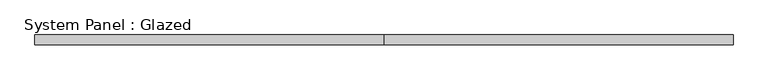
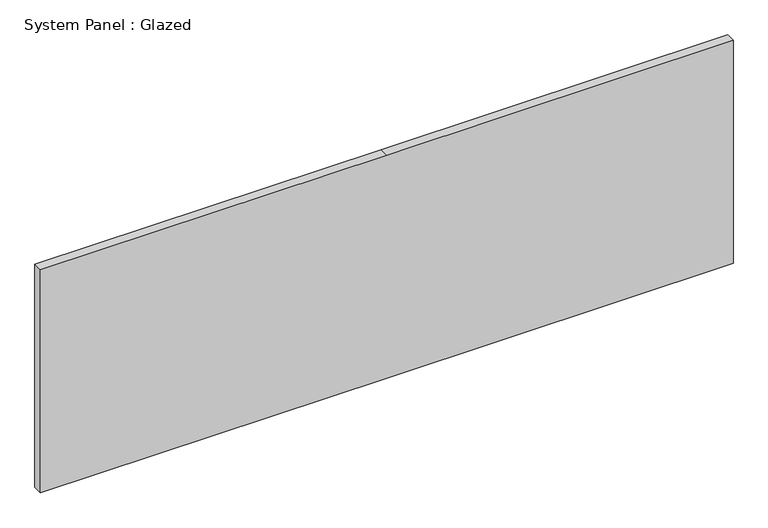
"""IFC4 building model written with IfcOpenShell, lengths in millimetres: plate geometry, System Panel : Glazed."""

import ifcopenshell
import ifcopenshell.guid

model = None  # the IFC model being written
_history = None  # IfcOwnerHistory: only IFC2X3 demands one
_inside = {}  # id of a spatial element -> (the spatial element, [elements in it])
_under = {}  # id of a project, library or spatial element -> (it, [spatial elements below it])
_declared = {}  # id of a project -> (the project, [libraries it declares])
_typed = {}  # id of a type object -> (the type object, [elements of that type])
_made_of = {}  # id of a material, layer set ... -> (it, [elements and type objects made of it])


def new_model(schema):
    """Start an empty IFC model of exactly this schema.

    Asked for "IFC4X3", IfcOpenShell would pick the latest addendum, in which some entities
    have other attributes; the version numbers below select the first issue.
    IFC2X3 requires an IfcOwnerHistory on every rooted entity: one is made here for all.
    """
    global model, _history
    if schema == "IFC4X3":
        model = ifcopenshell.file(schema_version=(4, 3, 0, 0))
    else:
        model = ifcopenshell.file(schema=schema)
    _inside.clear()
    _under.clear()
    _declared.clear()
    _typed.clear()
    _made_of.clear()
    _history = None
    if model.schema == "IFC2X3":
        org = make("IfcOrganization", Name="unknown")
        user = make(
            "IfcPersonAndOrganization",
            ThePerson=make("IfcPerson", FamilyName="unknown"),
            TheOrganization=org,
        )
        app = make(
            "IfcApplication",
            ApplicationDeveloper=org,
            Version="unknown",
            ApplicationFullName="unknown",
            ApplicationIdentifier="unknown",
        )
        _history = make(
            "IfcOwnerHistory",
            OwningUser=user,
            OwningApplication=app,
            ChangeAction="ADDED",
            CreationDate=0,
        )
    return model


def make(cls, **values):
    """One entity of the class cls with the attributes given. An attribute that is None is left unset."""
    return model.create_entity(
        cls, **{name: value for name, value in values.items() if value is not None}
    )


def rooted(cls, **values):
    """An entity with a GlobalId (a new one), such as an element, a storey or a relation."""
    return make(cls, GlobalId=ifcopenshell.guid.new(), OwnerHistory=_history, **values)


def si_unit(unit_type, name, prefix=None):
    """IfcSIUnit, for example si_unit("LENGTHUNIT", "METRE", prefix="MILLI")."""
    return make("IfcSIUnit", UnitType=unit_type, Prefix=prefix, Name=name)


def assignment(units):
    """IfcUnitAssignment: the units of a project."""
    return None if units is None else make("IfcUnitAssignment", Units=units)


def point(xyz):
    """IfcCartesianPoint."""
    return None if xyz is None else make("IfcCartesianPoint", Coordinates=xyz)


def direction(xyz):
    """IfcDirection."""
    return None if xyz is None else make("IfcDirection", DirectionRatios=xyz)


def frame(location, z_axis=None, x_axis=None):
    """IfcAxis2Placement3D, a coordinate frame: its origin and axes. An axis left out is left unset."""
    return make(
        "IfcAxis2Placement3D",
        Location=point(location),
        Axis=direction(z_axis),
        RefDirection=direction(x_axis),
    )


def origin():
    """The frame at (0, 0, 0) with its axes left unset."""
    return frame((0.0, 0.0, 0.0))


def place(relative_to, where):
    """IfcLocalPlacement: puts the frame where relative to a parent placement (None: the world)."""
    return make(
        "IfcLocalPlacement", PlacementRelTo=relative_to, RelativePlacement=where
    )


def context(
    kind, dimensions, precision=None, world=None, true_north=None, identifier=None
):
    """IfcGeometricRepresentationContext, for example the 3D "Model" context."""
    return make(
        "IfcGeometricRepresentationContext",
        ContextIdentifier=identifier,
        ContextType=kind,
        CoordinateSpaceDimension=dimensions,
        Precision=precision,
        WorldCoordinateSystem=world,
        TrueNorth=true_north,
    )


def project(units=None, contexts=None):
    """IfcProject with its units and contexts."""
    return rooted(
        "IfcProject",
        Name="project",
        RepresentationContexts=contexts,
        UnitsInContext=assignment(units),
    )


def spatial(cls, under=None, at=None, **own):
    """A site, building, storey or space (cls), placed at a placement, below another one or the project."""
    s = rooted(cls, ObjectPlacement=at, **own)
    if under is not None:
        _under.setdefault(under.id(), (under, []))[1].append(s)
    return s


def polyline(points):
    """IfcPolyline through the points."""
    return make("IfcPolyline", Points=[point(p) for p in points])


def outline(outer, holes=None, kind="AREA"):
    """IfcArbitraryClosedProfileDef: a profile drawn as a closed curve; with holes, ...WithVoids."""
    if holes is None:
        return make("IfcArbitraryClosedProfileDef", ProfileType=kind, OuterCurve=outer)
    return make(
        "IfcArbitraryProfileDefWithVoids",
        ProfileType=kind,
        OuterCurve=outer,
        InnerCurves=holes,
    )


def extrude(swept, where, along, depth):
    """IfcExtrudedAreaSolid: the profile swept, set in the frame where, extruded along a direction by depth."""
    return make(
        "IfcExtrudedAreaSolid",
        SweptArea=swept,
        Position=where,
        ExtrudedDirection=direction(along),
        Depth=depth,
    )


def shape(context_of_items, identifier, shape_type, items):
    """IfcShapeRepresentation: the items that make up one representation, for example the "Body"."""
    return make(
        "IfcShapeRepresentation",
        ContextOfItems=context_of_items,
        RepresentationIdentifier=identifier,
        RepresentationType=shape_type,
        Items=items,
    )


def source(mapping_origin, context_of_items, identifier, shape_type, items):
    """IfcRepresentationMap: a shape defined once, which mapped items show again and again."""
    return make(
        "IfcRepresentationMap",
        MappingOrigin=mapping_origin,
        MappedRepresentation=shape(context_of_items, identifier, shape_type, items),
    )


def transform(
    local_origin,
    x_axis=None,
    y_axis=None,
    z_axis=None,
    scale=None,
    scale2=None,
    scale3=None,
    uniform=True,
):
    """IfcCartesianTransformationOperator3D, or its non-uniform kind. x_axis, y_axis, z_axis: its Axis1, 2, 3."""
    if uniform:
        return make(
            "IfcCartesianTransformationOperator3D",
            Axis1=direction(x_axis),
            Axis2=direction(y_axis),
            LocalOrigin=point(local_origin),
            Scale=scale,
            Axis3=direction(z_axis),
        )
    return make(
        "IfcCartesianTransformationOperator3DnonUniform",
        Axis1=direction(x_axis),
        Axis2=direction(y_axis),
        LocalOrigin=point(local_origin),
        Scale=scale,
        Axis3=direction(z_axis),
        Scale2=scale2,
        Scale3=scale3,
    )


def mapped(mapping_source, mapping_target):
    """IfcMappedItem: shows the shape of a source again, moved by a transform."""
    return make(
        "IfcMappedItem", MappingSource=mapping_source, MappingTarget=mapping_target
    )


def made_of(thing, what):
    """Note that an element or type object is made of a material, layer set ...; save() writes the relation."""
    if what is not None:
        _made_of.setdefault(what.id(), (what, []))[1].append(thing)
    return thing


def element(
    cls,
    number,
    at=None,
    inside=None,
    cuts=None,
    type_object=None,
    material=None,
    context=None,
    identifier="Body",
    shape_type=None,
    held_by="IfcProductDefinitionShape",
    body=None,
    shapes=None,
    **own,
):
    """One element of the class cls, such as IfcWall. Its Tag is "e" and its number.

    at: its placement. inside: the storey or other place that contains it. cuts: it is an
    opening in that element (IfcRelVoidsElement). A single representation is given by context,
    identifier, shape_type and body (its items); several are given by shapes. held_by: the class
    of the entity that holds the representations. save() writes the other relations.
    """
    e = rooted(cls, Tag="e%d" % number, ObjectPlacement=at, **own)
    if body is not None:
        shapes = [shape(context, identifier, shape_type, body)]
    if shapes is not None:
        e.Representation = make(held_by, Representations=shapes)
    if inside is not None:
        _inside.setdefault(inside.id(), (inside, []))[1].append(e)
    if cuts is not None:
        rooted(
            "IfcRelVoidsElement", RelatingBuildingElement=cuts, RelatedOpeningElement=e
        )
    if type_object is not None:
        _typed.setdefault(type_object.id(), (type_object, []))[1].append(e)
    return made_of(e, material)


def aggregate(whole, parts):
    """IfcRelAggregates: a whole, such as a stair, and the parts it consists of."""
    return rooted("IfcRelAggregates", RelatingObject=whole, RelatedObjects=parts)


def save(model, path):
    """Write the relations noted so far, then the file.

    IfcRelAggregates (storeys below a building ...), IfcRelContainedInSpatialStructure (elements
    in a storey), IfcRelDefinesByType, IfcRelAssociatesMaterial and IfcRelDeclares: one each for
    every whole, place, type object, material and project.
    """
    for whole, parts in _under.values():
        aggregate(whole, parts)
    for where, things in _inside.values():
        rooted(
            "IfcRelContainedInSpatialStructure",
            RelatedElements=things,
            RelatingStructure=where,
        )
    for kind, things in _typed.values():
        rooted("IfcRelDefinesByType", RelatedObjects=things, RelatingType=kind)
    for what, things in _made_of.values():
        rooted("IfcRelAssociatesMaterial", RelatedObjects=things, RelatingMaterial=what)
    for by, libraries in _declared.values():
        rooted("IfcRelDeclares", RelatingContext=by, RelatedDefinitions=libraries)
    model.write(path)


def system_panel_glazed_8a60f612(model_context):
    return source(origin(), model_context, "Body", "SweptSolid", [
        extrude(outline(polyline([(0.0, -914.4), (0.0, 0.0), (0.0, 914.4), (622.3, 914.4), (622.3, 0.0), (622.3, -914.4), (0.0, -914.4)])), frame((0.0, 19.05, 0.0), z_axis=(0.0, 1.0, 0.0), x_axis=(0.0, 0.0, 1.0)), (0.0, 0.0, 1.0), 25.4),
    ])


if __name__ == "__main__":
    model = new_model("IFC4")
    model_context = context("Model", 3, world=origin())
    ifc_project = project(units=[si_unit("LENGTHUNIT", "METRE", prefix="MILLI")], contexts=[model_context])
    site = spatial("IfcSite", under=ifc_project)
    building = spatial("IfcBuilding", under=site)
    placement = place(None, origin())
    system_panel_glazed_shape = system_panel_glazed_8a60f612(model_context)
    element("IfcPlate", 1, ObjectType="System Panel : Glazed", at=placement, inside=building, context=model_context, shape_type="MappedRepresentation", body=[
        mapped(system_panel_glazed_shape, transform((0.0, 0.0, 0.0), x_axis=(1.0, 0.0, 0.0), y_axis=(0.0, 1.0, 0.0), z_axis=(0.0, 0.0, 1.0))),
    ])
    save(model, "model.ifc")
